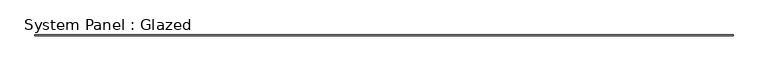
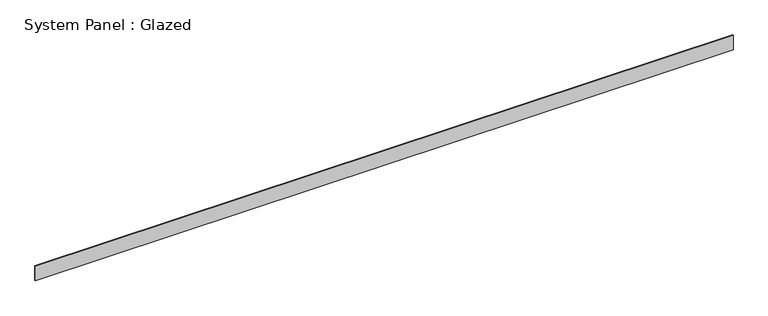
"""IFC4 building model written with IfcOpenShell, lengths in millimetres: plate geometry, System Panel : Glazed."""

import ifcopenshell
import ifcopenshell.guid

model = None  # the IFC model being written
_history = None  # IfcOwnerHistory: only IFC2X3 demands one
_inside = {}  # id of a spatial element -> (the spatial element, [elements in it])
_under = {}  # id of a project, library or spatial element -> (it, [spatial elements below it])
_declared = {}  # id of a project -> (the project, [libraries it declares])
_typed = {}  # id of a type object -> (the type object, [elements of that type])
_made_of = {}  # id of a material, layer set ... -> (it, [elements and type objects made of it])


def new_model(schema):
    """Start an empty IFC model of exactly this schema.

    Asked for "IFC4X3", IfcOpenShell would pick the latest addendum, in which some entities
    have other attributes; the version numbers below select the first issue.
    IFC2X3 requires an IfcOwnerHistory on every rooted entity: one is made here for all.
    """
    global model, _history
    if schema == "IFC4X3":
        model = ifcopenshell.file(schema_version=(4, 3, 0, 0))
    else:
        model = ifcopenshell.file(schema=schema)
    _inside.clear()
    _under.clear()
    _declared.clear()
    _typed.clear()
    _made_of.clear()
    _history = None
    if model.schema == "IFC2X3":
        org = make("IfcOrganization", Name="unknown")
        user = make(
            "IfcPersonAndOrganization",
            ThePerson=make("IfcPerson", FamilyName="unknown"),
            TheOrganization=org,
        )
        app = make(
            "IfcApplication",
            ApplicationDeveloper=org,
            Version="unknown",
            ApplicationFullName="unknown",
            ApplicationIdentifier="unknown",
        )
        _history = make(
            "IfcOwnerHistory",
            OwningUser=user,
            OwningApplication=app,
            ChangeAction="ADDED",
            CreationDate=0,
        )
    return model


def make(cls, **values):
    """One entity of the class cls with the attributes given. An attribute that is None is left unset."""
    return model.create_entity(
        cls, **{name: value for name, value in values.items() if value is not None}
    )


def rooted(cls, **values):
    """An entity with a GlobalId (a new one), such as an element, a storey or a relation."""
    return make(cls, GlobalId=ifcopenshell.guid.new(), OwnerHistory=_history, **values)


def si_unit(unit_type, name, prefix=None):
    """IfcSIUnit, for example si_unit("LENGTHUNIT", "METRE", prefix="MILLI")."""
    return make("IfcSIUnit", UnitType=unit_type, Prefix=prefix, Name=name)


def assignment(units):
    """IfcUnitAssignment: the units of a project."""
    return None if units is None else make("IfcUnitAssignment", Units=units)


def point(xyz):
    """IfcCartesianPoint."""
    return None if xyz is None else make("IfcCartesianPoint", Coordinates=xyz)


def direction(xyz):
    """IfcDirection."""
    return None if xyz is None else make("IfcDirection", DirectionRatios=xyz)


def frame(location, z_axis=None, x_axis=None):
    """IfcAxis2Placement3D, a coordinate frame: its origin and axes. An axis left out is left unset."""
    return make(
        "IfcAxis2Placement3D",
        Location=point(location),
        Axis=direction(z_axis),
        RefDirection=direction(x_axis),
    )


def origin():
    """The frame at (0, 0, 0) with its axes left unset."""
    return frame((0.0, 0.0, 0.0))


def origin_with_axes():
    """The frame at (0, 0, 0) with the z axis (0, 0, 1) and the x axis (1, 0, 0) written out."""
    return frame((0.0, 0.0, 0.0), z_axis=(0.0, 0.0, 1.0), x_axis=(1.0, 0.0, 0.0))


def place(relative_to, where):
    """IfcLocalPlacement: puts the frame where relative to a parent placement (None: the world)."""
    return make(
        "IfcLocalPlacement", PlacementRelTo=relative_to, RelativePlacement=where
    )


def context(
    kind, dimensions, precision=None, world=None, true_north=None, identifier=None
):
    """IfcGeometricRepresentationContext, for example the 3D "Model" context."""
    return make(
        "IfcGeometricRepresentationContext",
        ContextIdentifier=identifier,
        ContextType=kind,
        CoordinateSpaceDimension=dimensions,
        Precision=precision,
        WorldCoordinateSystem=world,
        TrueNorth=true_north,
    )


def project(units=None, contexts=None):
    """IfcProject with its units and contexts."""
    return rooted(
        "IfcProject",
        Name="project",
        RepresentationContexts=contexts,
        UnitsInContext=assignment(units),
    )


def spatial(cls, under=None, at=None, **own):
    """A site, building, storey or space (cls), placed at a placement, below another one or the project."""
    s = rooted(cls, ObjectPlacement=at, **own)
    if under is not None:
        _under.setdefault(under.id(), (under, []))[1].append(s)
    return s


def polyline(points):
    """IfcPolyline through the points."""
    return make("IfcPolyline", Points=[point(p) for p in points])


def outline(outer, holes=None, kind="AREA"):
    """IfcArbitraryClosedProfileDef: a profile drawn as a closed curve; with holes, ...WithVoids."""
    if holes is None:
        return make("IfcArbitraryClosedProfileDef", ProfileType=kind, OuterCurve=outer)
    return make(
        "IfcArbitraryProfileDefWithVoids",
        ProfileType=kind,
        OuterCurve=outer,
        InnerCurves=holes,
    )


def extrude(swept, where, along, depth):
    """IfcExtrudedAreaSolid: the profile swept, set in the frame where, extruded along a direction by depth."""
    return make(
        "IfcExtrudedAreaSolid",
        SweptArea=swept,
        Position=where,
        ExtrudedDirection=direction(along),
        Depth=depth,
    )


def shape(context_of_items, identifier, shape_type, items):
    """IfcShapeRepresentation: the items that make up one representation, for example the "Body"."""
    return make(
        "IfcShapeRepresentation",
        ContextOfItems=context_of_items,
        RepresentationIdentifier=identifier,
        RepresentationType=shape_type,
        Items=items,
    )


def source(mapping_origin, context_of_items, identifier, shape_type, items):
    """IfcRepresentationMap: a shape defined once, which mapped items show again and again."""
    return make(
        "IfcRepresentationMap",
        MappingOrigin=mapping_origin,
        MappedRepresentation=shape(context_of_items, identifier, shape_type, items),
    )


def transform(
    local_origin,
    x_axis=None,
    y_axis=None,
    z_axis=None,
    scale=None,
    scale2=None,
    scale3=None,
    uniform=True,
):
    """IfcCartesianTransformationOperator3D, or its non-uniform kind. x_axis, y_axis, z_axis: its Axis1, 2, 3."""
    if uniform:
        return make(
            "IfcCartesianTransformationOperator3D",
            Axis1=direction(x_axis),
            Axis2=direction(y_axis),
            LocalOrigin=point(local_origin),
            Scale=scale,
            Axis3=direction(z_axis),
        )
    return make(
        "IfcCartesianTransformationOperator3DnonUniform",
        Axis1=direction(x_axis),
        Axis2=direction(y_axis),
        LocalOrigin=point(local_origin),
        Scale=scale,
        Axis3=direction(z_axis),
        Scale2=scale2,
        Scale3=scale3,
    )


def mapped(mapping_source, mapping_target):
    """IfcMappedItem: shows the shape of a source again, moved by a transform."""
    return make(
        "IfcMappedItem", MappingSource=mapping_source, MappingTarget=mapping_target
    )


def made_of(thing, what):
    """Note that an element or type object is made of a material, layer set ...; save() writes the relation."""
    if what is not None:
        _made_of.setdefault(what.id(), (what, []))[1].append(thing)
    return thing


def element(
    cls,
    number,
    at=None,
    inside=None,
    cuts=None,
    type_object=None,
    material=None,
    context=None,
    identifier="Body",
    shape_type=None,
    held_by="IfcProductDefinitionShape",
    body=None,
    shapes=None,
    **own,
):
    """One element of the class cls, such as IfcWall. Its Tag is "e" and its number.

    at: its placement. inside: the storey or other place that contains it. cuts: it is an
    opening in that element (IfcRelVoidsElement). A single representation is given by context,
    identifier, shape_type and body (its items); several are given by shapes. held_by: the class
    of the entity that holds the representations. save() writes the other relations.
    """
    e = rooted(cls, Tag="e%d" % number, ObjectPlacement=at, **own)
    if body is not None:
        shapes = [shape(context, identifier, shape_type, body)]
    if shapes is not None:
        e.Representation = make(held_by, Representations=shapes)
    if inside is not None:
        _inside.setdefault(inside.id(), (inside, []))[1].append(e)
    if cuts is not None:
        rooted(
            "IfcRelVoidsElement", RelatingBuildingElement=cuts, RelatedOpeningElement=e
        )
    if type_object is not None:
        _typed.setdefault(type_object.id(), (type_object, []))[1].append(e)
    return made_of(e, material)


def aggregate(whole, parts):
    """IfcRelAggregates: a whole, such as a stair, and the parts it consists of."""
    return rooted("IfcRelAggregates", RelatingObject=whole, RelatedObjects=parts)


def save(model, path):
    """Write the relations noted so far, then the file.

    IfcRelAggregates (storeys below a building ...), IfcRelContainedInSpatialStructure (elements
    in a storey), IfcRelDefinesByType, IfcRelAssociatesMaterial and IfcRelDeclares: one each for
    every whole, place, type object, material and project.
    """
    for whole, parts in _under.values():
        aggregate(whole, parts)
    for where, things in _inside.values():
        rooted(
            "IfcRelContainedInSpatialStructure",
            RelatedElements=things,
            RelatingStructure=where,
        )
    for kind, things in _typed.values():
        rooted("IfcRelDefinesByType", RelatedObjects=things, RelatingType=kind)
    for what, things in _made_of.values():
        rooted("IfcRelAssociatesMaterial", RelatedObjects=things, RelatingMaterial=what)
    for by, libraries in _declared.values():
        rooted("IfcRelDeclares", RelatingContext=by, RelatedDefinitions=libraries)
    model.write(path)


def system_panel_glazed_289bc4a4(model_context):
    return source(origin(), model_context, "Body", "SweptSolid", [
        extrude(outline(polyline([(9219.2788029, 24.5), (-9219.2788029, 24.5), (-9219.2788029, 49.5), (9219.2788029, 49.5), (9219.2788029, 24.5)])), origin_with_axes(), (0.0, 0.0, 1.0), 400.0),
    ])


if __name__ == "__main__":
    model = new_model("IFC4")
    model_context = context("Model", 3, world=origin())
    ifc_project = project(units=[si_unit("LENGTHUNIT", "METRE", prefix="MILLI")], contexts=[model_context])
    site = spatial("IfcSite", under=ifc_project)
    building = spatial("IfcBuilding", under=site)
    placement = place(None, origin())
    system_panel_glazed_shape = system_panel_glazed_289bc4a4(model_context)
    element("IfcPlate", 1, ObjectType="System Panel : Glazed", at=placement, inside=building, context=model_context, shape_type="MappedRepresentation", body=[
        mapped(system_panel_glazed_shape, transform((0.0, 0.0, 0.0), x_axis=(1.0, 0.0, 0.0), y_axis=(0.0, 1.0, 0.0), z_axis=(0.0, 0.0, 1.0))),
    ])
    save(model, "model.ifc")
